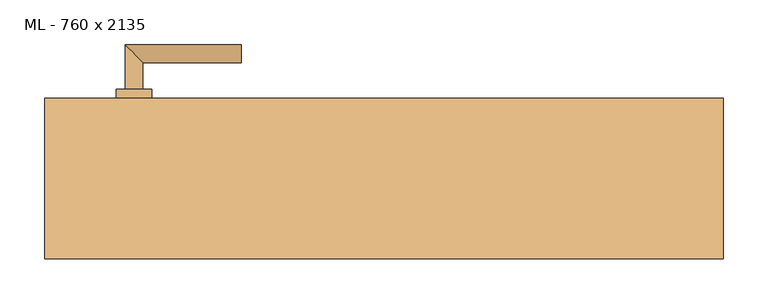
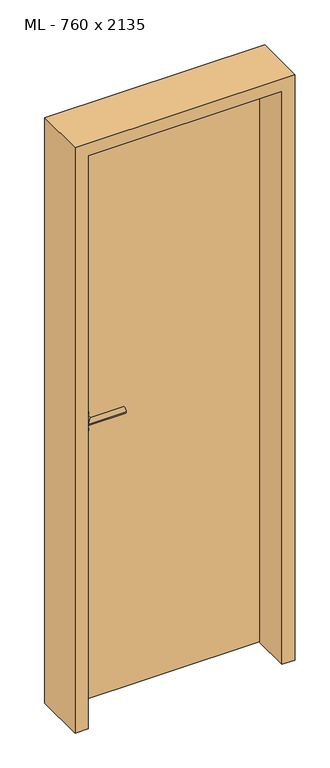
"""IFC4 building model written with IfcOpenShell, lengths in millimetres: door geometry, ML - 760 x 2135."""

from ifc_helpers import new_model, si_unit, point, frame, frame_2d, origin, origin_with_axes, place, context, project, spatial, polyline, circle_curve, ellipse_curve, trimmed, segment, composite_curve, outline, extrude, faceted_brep, source, transform, mapped, element, save
from ifc_brep_helpers import plane_surface, cylinder_surface, advanced_brep


def ml_760_x_2135_9caf25b1(model_context):
    return source(origin(), model_context, "Body", "SolidModel", [
        extrude(outline(polyline([(346.0, 90.0), (346.0, 45.0), (-346.0, 45.0), (-346.0, 90.0), (346.0, 90.0)])), origin_with_axes(), (0.0, 0.0, 1.0), 2101.0),
        advanced_brep(
        [(-270.0, 100.0, 1050.0), (-290.0, 100.0, 1050.0), (-270.0, 130.0, 1050.0), (-290.0, 150.0, 1050.0), (-160.0, 130.0, 1050.0), (-160.0, 150.0, 1050.0)],
        [
            (0, 1, circle_curve(frame((-280.0, 100.0, 1050.0), z_axis=(0.0, -1.0, 0.0), x_axis=(-1.0, 0.0, 0.0)), 10.0)),
            (1, 0, circle_curve(frame((-280.0, 100.0, 1050.0), z_axis=(0.0, -1.0, 0.0), x_axis=(-1.0, 0.0, 0.0)), 10.0)),
            (0, 2),
            (2, 3, ellipse_curve(frame((-280.0, 140.0, 1050.0), z_axis=(-0.7071067811865531, -0.7071067811865419, 0.0), x_axis=(0.707106781186542, -0.707106781186553, 0.0)), 14.1421356, 10.0)),
            (3, 1),
            (3, 2, ellipse_curve(frame((-280.0, 140.0, 1050.0), z_axis=(-0.7071067811865531, -0.7071067811865419, 0.0), x_axis=(0.707106781186542, -0.707106781186553, 0.0)), 14.1421356, 10.0)),
            (4, 5, circle_curve(frame((-160.0, 140.0, 1050.0), z_axis=(1.0, 0.0, 0.0), x_axis=(0.0, 1.0, 0.0)), 10.0)),
            (5, 4, circle_curve(frame((-160.0, 140.0, 1050.0), z_axis=(1.0, 0.0, 0.0), x_axis=(0.0, 1.0, 0.0)), 10.0)),
            (2, 4),
            (5, 3),
        ],
        [
            plane_surface(frame((-280.0, 100.0, 1050.0), z_axis=(0.0, -1.0, 0.0), x_axis=(0.0, 0.0, 1.0))),
            cylinder_surface(frame((-280.0, 100.0, 1050.0), z_axis=(0.0, -1.0, 0.0), x_axis=(-1.0, 0.0, 0.0)), 10.0),
            plane_surface(frame((-160.0, 140.0, 1050.0), z_axis=(1.0, 0.0, 0.0), x_axis=(0.0, 0.0, 1.0))),
            cylinder_surface(frame((-280.0, 140.0, 1050.0), z_axis=(-1.0, 0.0, 0.0), x_axis=(0.0, 1.0, 0.0)), 10.0),
        ],
        [
            (0, [[1, 2]]),
            (1, [[-1, 3, 4, 5]]),
            (1, [[-2, -5, 6, -3]]),
            (2, [[7, 8]]),
            (3, [[-4, 9, -8, 10]]),
            (3, [[-6, -10, -7, -9]]),
        ],
    ),
        extrude(outline(composite_curve([segment(trimmed(circle_curve(frame_2d((990.0, -280.0)), 20.0), [point((990.0, -300.0))], [point((990.0, -260.0))], False, "CARTESIAN"), True, "CONTINUOUS"), segment(trimmed(circle_curve(frame_2d((990.0, -280.0)), 20.0), [point((990.0, -260.0))], [point((990.0, -300.0))], False, "CARTESIAN"), True, "CONTINUOUS")], self_intersect=False), holes=[composite_curve([segment(polyline([(976.4601385, -282.397268), (988.4749012, -282.397268)]), True, "CONTINUOUS"), segment(trimmed(circle_curve(frame_2d((995.0361633, -280.0)), 6.9854888), [point((988.4749012, -282.397268))], [point((988.4749012, -277.602732))], True, "CARTESIAN"), True, "CONTINUOUS"), segment(polyline([(988.4749012, -277.602732), (976.4601385, -277.602732)]), True, "CONTINUOUS"), segment(trimmed(circle_curve(frame_2d((976.4601385, -280.0)), 2.397268), [point((976.4601385, -277.602732))], [point((976.4601385, -282.397268))], True, "CARTESIAN"), True, "CONTINUOUS")], self_intersect=False)]), frame((0.0, 90.0, 0.0), z_axis=(0.0, 1.0, 0.0), x_axis=(0.0, 0.0, 1.0)), (0.0, 0.0, 1.0), 10.0),
        advanced_brep(
        [(-270.0, 100.0, 1050.0), (-290.0, 100.0, 1050.0), (-270.0, 130.0, 1050.0), (-290.0, 150.0, 1050.0), (-160.0, 130.0, 1050.0), (-160.0, 150.0, 1050.0)],
        [
            (0, 1, circle_curve(frame((-280.0, 100.0, 1050.0), z_axis=(0.0, -1.0, 0.0), x_axis=(-1.0, 0.0, 0.0)), 10.0)),
            (1, 0, circle_curve(frame((-280.0, 100.0, 1050.0), z_axis=(0.0, -1.0, 0.0), x_axis=(-1.0, 0.0, 0.0)), 10.0)),
            (0, 2),
            (2, 3, ellipse_curve(frame((-280.0, 140.0, 1050.0), z_axis=(-0.7071067811865537, -0.7071067811865414, 0.0), x_axis=(0.7071067811865414, -0.7071067811865536, 0.0)), 14.1421356, 10.0)),
            (3, 1),
            (3, 2, ellipse_curve(frame((-280.0, 140.0, 1050.0), z_axis=(-0.7071067811865537, -0.7071067811865414, 0.0), x_axis=(0.7071067811865414, -0.7071067811865536, 0.0)), 14.1421356, 10.0)),
            (4, 5, circle_curve(frame((-160.0, 140.0, 1050.0), z_axis=(1.0, 0.0, 0.0), x_axis=(0.0, 1.0, 0.0)), 10.0)),
            (5, 4, circle_curve(frame((-160.0, 140.0, 1050.0), z_axis=(1.0, 0.0, 0.0), x_axis=(0.0, 1.0, 0.0)), 10.0)),
            (2, 4),
            (5, 3),
        ],
        [
            plane_surface(frame((-280.0, 100.0, 1050.0), z_axis=(0.0, -1.0, 0.0), x_axis=(0.0, 0.0, 1.0))),
            cylinder_surface(frame((-280.0, 100.0, 1050.0), z_axis=(0.0, -1.0, 0.0), x_axis=(-1.0, 0.0, 0.0)), 10.0),
            plane_surface(frame((-160.0, 140.0, 1050.0), z_axis=(1.0, 0.0, 0.0), x_axis=(0.0, 0.0, 1.0))),
            cylinder_surface(frame((-280.0, 140.0, 1050.0), z_axis=(-1.0, 0.0, 0.0), x_axis=(0.0, 1.0, 0.0)), 10.0),
        ],
        [
            (0, [[1, 2]]),
            (1, [[-1, 3, 4, 5]]),
            (1, [[-2, -5, 6, -3]]),
            (2, [[7, 8]]),
            (3, [[-4, 9, -8, 10]]),
            (3, [[-6, -10, -7, -9]]),
        ],
    ),
        extrude(outline(composite_curve([segment(trimmed(circle_curve(frame_2d((1050.0, -280.0)), 20.0), [point((1050.0, -300.0))], [point((1050.0, -260.0))], False, "CARTESIAN"), True, "CONTINUOUS"), segment(trimmed(circle_curve(frame_2d((1050.0, -280.0)), 20.0), [point((1050.0, -260.0))], [point((1050.0, -300.0))], False, "CARTESIAN"), True, "CONTINUOUS")], self_intersect=False)), frame((0.0, 90.0, 0.0), z_axis=(0.0, 1.0, 0.0), x_axis=(0.0, 0.0, 1.0)), (0.0, 0.0, 1.0), 10.0),
        advanced_brep(
        [(-270.0, 35.0, 1050.0), (-290.0, 35.0, 1050.0), (-290.0, -15.0, 1050.0), (-270.0, 5.0, 1050.0), (-160.0, 5.0, 1050.0), (-160.0, -15.0, 1050.0)],
        [
            (0, 1, circle_curve(frame((-280.0, 35.0, 1050.0), z_axis=(0.0, 1.0, 0.0), x_axis=(-1.0, 0.0, 0.0)), 10.0)),
            (1, 0, circle_curve(frame((-280.0, 35.0, 1050.0), z_axis=(0.0, 1.0, 0.0), x_axis=(-1.0, 0.0, 0.0)), 10.0)),
            (1, 2),
            (2, 3, ellipse_curve(frame((-280.0, -5.0, 1050.0), z_axis=(-0.7071067811865486, 0.7071067811865464, 0.0), x_axis=(0.7071067811865464, 0.7071067811865488, 0.0)), 14.1421356, 10.0)),
            (3, 0),
            (3, 2, ellipse_curve(frame((-280.0, -5.0, 1050.0), z_axis=(-0.7071067811865486, 0.7071067811865464, 0.0), x_axis=(0.7071067811865464, 0.7071067811865488, 0.0)), 14.1421356, 10.0)),
            (4, 5, circle_curve(frame((-160.0, -5.0, 1050.0), z_axis=(1.0, 0.0, 0.0), x_axis=(0.0, -1.0, 0.0)), 10.0)),
            (5, 4, circle_curve(frame((-160.0, -5.0, 1050.0), z_axis=(1.0, 0.0, 0.0), x_axis=(0.0, -1.0, 0.0)), 10.0)),
            (2, 5),
            (4, 3),
        ],
        [
            plane_surface(frame((-280.0, 35.0, 1050.0), z_axis=(0.0, 1.0, 0.0), x_axis=(0.0, 0.0, 1.0))),
            cylinder_surface(frame((-280.0, 35.0, 1050.0), z_axis=(0.0, 1.0, 0.0), x_axis=(-1.0, 0.0, 0.0)), 10.0),
            plane_surface(frame((-160.0, -5.0, 1050.0), z_axis=(1.0, 0.0, 0.0), x_axis=(0.0, 0.0, 1.0))),
            cylinder_surface(frame((-280.0, -5.0, 1050.0), z_axis=(-1.0, 0.0, 0.0), x_axis=(0.0, -1.0, 0.0)), 10.0),
        ],
        [
            (0, [[1, 2]]),
            (1, [[3, 4, 5, -2]]),
            (1, [[-5, 6, -3, -1]]),
            (2, [[7, 8]]),
            (3, [[9, -7, 10, -4]]),
            (3, [[-10, -8, -9, -6]]),
        ],
    ),
        extrude(outline(composite_curve([segment(trimmed(circle_curve(frame_2d((990.0, -280.0)), 20.0), [point((990.0, -300.0))], [point((990.0, -260.0))], False, "CARTESIAN"), True, "CONTINUOUS"), segment(trimmed(circle_curve(frame_2d((990.0, -280.0)), 20.0), [point((990.0, -260.0))], [point((990.0, -300.0))], False, "CARTESIAN"), True, "CONTINUOUS")], self_intersect=False), holes=[composite_curve([segment(polyline([(976.4601385, -282.397268), (988.4749012, -282.397268)]), True, "CONTINUOUS"), segment(trimmed(circle_curve(frame_2d((995.0361633, -280.0)), 6.9854888), [point((988.4749012, -282.397268))], [point((988.4749012, -277.602732))], True, "CARTESIAN"), True, "CONTINUOUS"), segment(polyline([(988.4749012, -277.602732), (976.4601385, -277.602732)]), True, "CONTINUOUS"), segment(trimmed(circle_curve(frame_2d((976.4601385, -280.0)), 2.397268), [point((976.4601385, -277.602732))], [point((976.4601385, -282.397268))], True, "CARTESIAN"), True, "CONTINUOUS")], self_intersect=False)]), frame((0.0, 35.0, 0.0), z_axis=(0.0, 1.0, 0.0), x_axis=(0.0, 0.0, 1.0)), (0.0, 0.0, 1.0), 10.0),
        advanced_brep(
        [(-270.0, 35.0, 1050.0), (-290.0, 35.0, 1050.0), (-290.0, -15.0, 1050.0), (-270.0, 5.0, 1050.0), (-160.0, 5.0, 1050.0), (-160.0, -15.0, 1050.0)],
        [
            (0, 1, circle_curve(frame((-280.0, 35.0, 1050.0), z_axis=(0.0, 1.0, 0.0), x_axis=(-1.0, 0.0, 0.0)), 10.0)),
            (1, 0, circle_curve(frame((-280.0, 35.0, 1050.0), z_axis=(0.0, 1.0, 0.0), x_axis=(-1.0, 0.0, 0.0)), 10.0)),
            (1, 2),
            (2, 3, ellipse_curve(frame((-280.0, -5.0, 1050.0), z_axis=(-0.7071067811865491, 0.7071067811865459, 0.0), x_axis=(0.7071067811865458, 0.7071067811865492, 0.0)), 14.1421356, 10.0)),
            (3, 0),
            (3, 2, ellipse_curve(frame((-280.0, -5.0, 1050.0), z_axis=(-0.7071067811865491, 0.7071067811865459, 0.0), x_axis=(0.7071067811865458, 0.7071067811865492, 0.0)), 14.1421356, 10.0)),
            (4, 5, circle_curve(frame((-160.0, -5.0, 1050.0), z_axis=(1.0, 0.0, 0.0), x_axis=(0.0, -1.0, 0.0)), 10.0)),
            (5, 4, circle_curve(frame((-160.0, -5.0, 1050.0), z_axis=(1.0, 0.0, 0.0), x_axis=(0.0, -1.0, 0.0)), 10.0)),
            (2, 5),
            (4, 3),
        ],
        [
            plane_surface(frame((-280.0, 35.0, 1050.0), z_axis=(0.0, 1.0, 0.0), x_axis=(0.0, 0.0, 1.0))),
            cylinder_surface(frame((-280.0, 35.0, 1050.0), z_axis=(0.0, 1.0, 0.0), x_axis=(-1.0, 0.0, 0.0)), 10.0),
            plane_surface(frame((-160.0, -5.0, 1050.0), z_axis=(1.0, 0.0, 0.0), x_axis=(0.0, 0.0, 1.0))),
            cylinder_surface(frame((-280.0, -5.0, 1050.0), z_axis=(-1.0, 0.0, 0.0), x_axis=(0.0, -1.0, 0.0)), 10.0),
        ],
        [
            (0, [[1, 2]]),
            (1, [[3, 4, 5, -2]]),
            (1, [[-5, 6, -3, -1]]),
            (2, [[7, 8]]),
            (3, [[9, -7, 10, -4]]),
            (3, [[-10, -8, -9, -6]]),
        ],
    ),
        extrude(outline(composite_curve([segment(trimmed(circle_curve(frame_2d((1050.0, -280.0)), 20.0), [point((1050.0, -300.0))], [point((1050.0, -260.0))], False, "CARTESIAN"), True, "CONTINUOUS"), segment(trimmed(circle_curve(frame_2d((1050.0, -280.0)), 20.0), [point((1050.0, -260.0))], [point((1050.0, -300.0))], False, "CARTESIAN"), True, "CONTINUOUS")], self_intersect=False)), frame((0.0, 35.0, 0.0), z_axis=(0.0, 1.0, 0.0), x_axis=(0.0, 0.0, 1.0)), (0.0, 0.0, 1.0), 10.0),
        faceted_brep([(-350.0, 90.0, 0.0), (-350.0, 45.0, 0.0), (-335.0, 45.0, 0.0), (-335.0, -90.0, 0.0), (-380.0, -90.0, 0.0), (-380.0, 90.0, 0.0), (-350.0, 90.0, 2105.0), (-350.0, 45.0, 2105.0), (350.0, 45.0, 2105.0), (350.0, 45.0, 0.0), (335.0, 45.0, 0.0), (335.0, 45.0, 2090.0), (-335.0, 45.0, 2090.0), (-335.0, -90.0, 2090.0), (335.0, -90.0, 2090.0), (335.0, -90.0, 0.0), (380.0, -90.0, 0.0), (380.0, -90.0, 2135.0), (-380.0, -90.0, 2135.0), (-380.0, 90.0, 2135.0), (380.0, 90.0, 2135.0), (380.0, 90.0, 0.0), (350.0, 90.0, 0.0), (350.0, 90.0, 2105.0)], [[[0, 1, 2, 3, 4, 5]], [[1, 0, 6, 7]], [[2, 1, 7, 8, 9, 10, 11, 12]], [[3, 2, 12, 13]], [[4, 3, 13, 14, 15, 16, 17, 18]], [[5, 4, 18, 19]], [[0, 5, 19, 20, 21, 22, 23, 6]], [[20, 17, 16, 21]], [[22, 21, 16, 15, 10, 9]], [[8, 23, 22, 9]], [[14, 11, 10, 15]], [[19, 18, 17, 20]], [[13, 12, 11, 14]], [[7, 6, 23, 8]]]),
    ])


if __name__ == "__main__":
    model = new_model("IFC4")
    model_context = context("Model", 3, world=origin())
    ifc_project = project(units=[si_unit("LENGTHUNIT", "METRE", prefix="MILLI")], contexts=[model_context])
    site = spatial("IfcSite", under=ifc_project)
    building = spatial("IfcBuilding", under=site)
    placement = place(None, origin())
    ml_760_x_2135_shape = ml_760_x_2135_9caf25b1(model_context)
    element("IfcDoor", 1, ObjectType="ML - 760 x 2135", at=placement, inside=building, context=model_context, shape_type="MappedRepresentation", body=[
        mapped(ml_760_x_2135_shape, transform((0.0, 0.0, 0.0), x_axis=(1.0, 0.0, 0.0), y_axis=(0.0, 1.0, 0.0), z_axis=(0.0, 0.0, 1.0))),
    ])
    save(model, "model.ifc")
